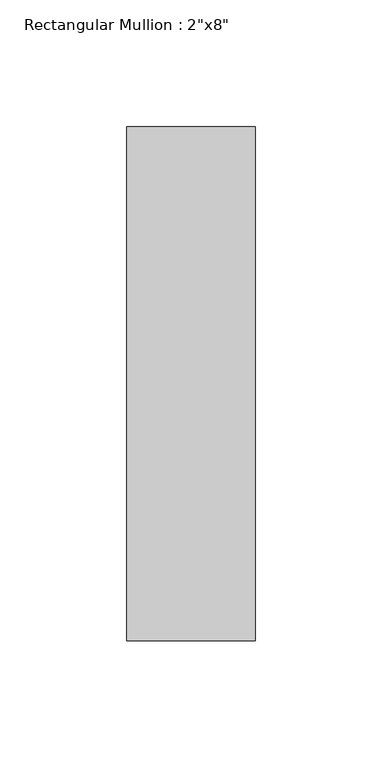
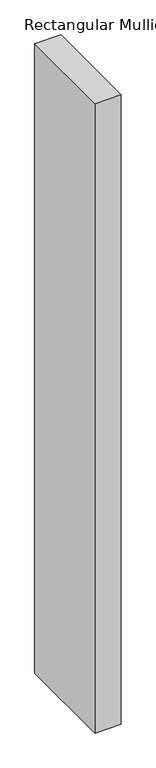
"""IFC4 building model written with IfcOpenShell, lengths in millimetres: member geometry."""

from ifc_helpers import new_model, si_unit, frame, origin, place, context, project, spatial, polyline, outline, extrude, source, transform, mapped, element, save


def member_13ad8d91(model_context):
    return source(origin(), model_context, "Body", "SweptSolid", [
        extrude(outline(polyline([(0.0, 101.6), (0.0, -101.6), (-50.8, -101.6), (-50.8, 101.6), (0.0, 101.6)])), frame((0.0, 0.0, -1292.225), z_axis=(0.0, 0.0, 1.0), x_axis=(1.0, 0.0, 0.0)), (0.0, 0.0, 1.0), 1292.225),
    ])


if __name__ == "__main__":
    model = new_model("IFC4")
    model_context = context("Model", 3, world=origin())
    ifc_project = project(units=[si_unit("LENGTHUNIT", "METRE", prefix="MILLI")], contexts=[model_context])
    site = spatial("IfcSite", under=ifc_project)
    building = spatial("IfcBuilding", under=site)
    placement = place(None, origin())
    member_shape = member_13ad8d91(model_context)
    element("IfcMember", 1, ObjectType="Rectangular Mullion : 2\"x8\"", at=placement, inside=building, context=model_context, shape_type="MappedRepresentation", body=[
        mapped(member_shape, transform((0.0, 0.0, 0.0), x_axis=(1.0, 0.0, 0.0), y_axis=(0.0, 1.0, 0.0), z_axis=(0.0, 0.0, 1.0))),
    ])
    save(model, "model.ifc")
